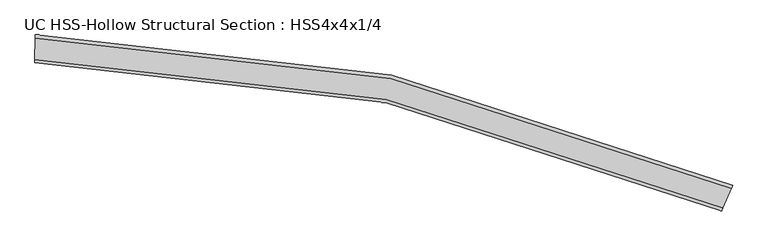
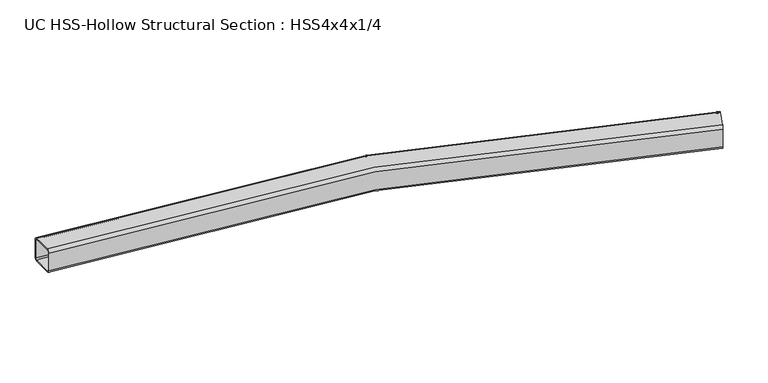
"""IFC4 building model written with IfcOpenShell, lengths in millimetres: beam geometry, UC HSS-Hollow Structural Section : HSS4x4x1/4."""

from ifc_helpers import new_model, si_unit, point, frame, origin, place, context, project, spatial, polyline, circle_curve, ellipse_curve, trimmed, source, transform, mapped, element, save
from ifc_brep_helpers import plane_surface, cylinder_surface, revolved_surface, advanced_brep


def uc_hss_hollow_structural_section_hss4x4x1_4_741ae181(model_context):
    return source(origin(), model_context, "Body", "AdvancedBrep", [
        advanced_brep(
        [(2635.9752121, -499.7964214, 38.9636), (2631.2372108, -510.6431586, 50.8), (2600.0436738, -582.0547246, 50.8), (2595.3056725, -592.9014618, 38.9636), (2595.3056725, -592.9014618, -38.9636), (2600.0436738, -582.0547246, -50.8), (2631.2372108, -510.6431586, -50.8), (2635.9752121, -499.7964214, -38.9636), (2600.0436738, -582.0547246, 44.8818), (2631.2372108, -510.6431586, 44.8818), (2633.6062114, -505.21979, 38.9636), (2633.6062114, -505.21979, -38.9636), (2631.2372108, -510.6431586, -44.8818), (2600.0436738, -582.0547246, -44.8818), (2597.6746731, -587.4780932, -38.9636), (2597.6746731, -587.4780932, 38.9636), (91.019854, 50.1709325, 38.9636), (91.019854, 50.1709325, -38.9636), (90.8562515, 38.3356632, -50.8), (89.779143, -39.5840925, -50.8), (89.6155405, -51.4193618, -38.9636), (89.6155405, -51.4193618, 38.9636), (89.779143, -39.5840925, 50.8), (90.8562515, 38.3356632, 50.8), (89.779143, -39.5840925, 44.8818), (89.6973417, -45.5017272, 38.9636), (89.6973417, -45.5017272, -38.9636), (89.779143, -39.5840925, -44.8818), (90.8562515, 38.3356632, -44.8818), (90.9380527, 44.2532979, -38.9636), (90.9380527, 44.2532979, 38.9636), (90.8562515, 38.3356632, 44.8818)],
        [
            (0, 1, circle_curve(frame((2631.2372108, -510.6431586, 38.9636), z_axis=(0.9163881926516371, -0.4002907447951626, 0.0), x_axis=(-0.4002907447951626, -0.9163881926516371, 0.0)), 11.8364)),
            (1, 2),
            (2, 3, circle_curve(frame((2600.0436738, -582.0547246, 38.9636), z_axis=(0.9163881926516371, -0.4002907447951626, 0.0), x_axis=(-0.4002907447951626, -0.9163881926516371, 0.0)), 11.8364)),
            (3, 4),
            (4, 5, circle_curve(frame((2600.0436738, -582.0547246, -38.9636), z_axis=(0.9163881926516371, -0.4002907447951626, 0.0), x_axis=(-0.4002907447951626, -0.9163881926516371, 0.0)), 11.8364)),
            (5, 6),
            (6, 7, circle_curve(frame((2631.2372108, -510.6431586, -38.9636), z_axis=(0.9163881926516371, -0.4002907447951626, 0.0), x_axis=(-0.4002907447951626, -0.9163881926516371, 0.0)), 11.8364)),
            (7, 0),
            (8, 9),
            (9, 10, circle_curve(frame((2631.2372108, -510.6431586, 38.9636), z_axis=(-0.9163881926516371, 0.4002907447951626, 0.0), x_axis=(-0.4002907447951626, -0.9163881926516371, 0.0)), 5.9182)),
            (10, 11),
            (11, 12, circle_curve(frame((2631.2372108, -510.6431586, -38.9636), z_axis=(-0.9163881926516371, 0.4002907447951626, 0.0), x_axis=(-0.4002907447951626, -0.9163881926516371, 0.0)), 5.9182)),
            (12, 13),
            (13, 14, circle_curve(frame((2600.0436738, -582.0547246, -38.9636), z_axis=(-0.9163881926516371, 0.4002907447951626, 0.0), x_axis=(-0.4002907447951626, -0.9163881926516371, 0.0)), 5.9182)),
            (14, 15),
            (15, 8, circle_curve(frame((2600.0436738, -582.0547246, 38.9636), z_axis=(-0.9163881926516371, 0.4002907447951626, 0.0), x_axis=(-0.4002907447951626, -0.9163881926516371, 0.0)), 5.9182)),
            (16, 17),
            (17, 18, circle_curve(frame((90.8562515, 38.3356632, -38.9636), z_axis=(-0.999904471827174, 0.013821983215888945, 0.0), x_axis=(-0.013821983215888945, -0.999904471827174, 0.0)), 11.8364)),
            (18, 19),
            (19, 20, circle_curve(frame((89.779143, -39.5840925, -38.9636), z_axis=(-0.999904471827174, 0.013821983215888945, 0.0), x_axis=(-0.013821983215888945, -0.999904471827174, 0.0)), 11.8364)),
            (20, 21),
            (21, 22, circle_curve(frame((89.779143, -39.5840925, 38.9636), z_axis=(-0.999904471827174, 0.013821983215888945, 0.0), x_axis=(-0.013821983215888945, -0.999904471827174, 0.0)), 11.8364)),
            (22, 23),
            (23, 16, circle_curve(frame((90.8562515, 38.3356632, 38.9636), z_axis=(-0.999904471827174, 0.013821983215888945, 0.0), x_axis=(-0.013821983215888945, -0.999904471827174, 0.0)), 11.8364)),
            (24, 25, circle_curve(frame((89.779143, -39.5840925, 38.9636), z_axis=(0.999904471827174, -0.013821983215888945, 0.0), x_axis=(-0.013821983215888945, -0.999904471827174, 0.0)), 5.9182)),
            (25, 26),
            (26, 27, circle_curve(frame((89.779143, -39.5840925, -38.9636), z_axis=(0.999904471827174, -0.013821983215888945, 0.0), x_axis=(-0.013821983215888945, -0.999904471827174, 0.0)), 5.9182)),
            (27, 28),
            (28, 29, circle_curve(frame((90.8562515, 38.3356632, -38.9636), z_axis=(0.999904471827174, -0.013821983215888945, 0.0), x_axis=(-0.013821983215888945, -0.999904471827174, 0.0)), 5.9182)),
            (29, 30),
            (30, 31, circle_curve(frame((90.8562515, 38.3356632, 38.9636), z_axis=(0.999904471827174, -0.013821983215888945, 0.0), x_axis=(-0.013821983215888945, -0.999904471827174, 0.0)), 5.9182)),
            (31, 24),
            (0, 16, circle_curve(frame((0.0, -6534.351534, 38.9636), z_axis=(0.0, 0.0, 1.0), x_axis=(-0.9998764232314815, -0.01572063185178361, 0.0)), 6585.151534)),
            (23, 1, circle_curve(frame((0.0, -6534.351534, 50.8), z_axis=(0.0, 0.0, -1.0), x_axis=(-0.9998764232314815, -0.01572063185178361, 0.0)), 6573.315134)),
            (22, 2, circle_curve(frame((0.0, -6534.351534, 50.8), z_axis=(0.0, 0.0, -1.0), x_axis=(-0.9998764232314815, -0.01572063185178361, 0.0)), 6495.387934)),
            (21, 3, circle_curve(frame((0.0, -6534.351534, 38.9636), z_axis=(0.0, 0.0, -1.0), x_axis=(-0.9998764232314815, -0.01572063185178361, 0.0)), 6483.551534)),
            (20, 4, circle_curve(frame((0.0, -6534.351534, -38.9636), z_axis=(0.0, 0.0, -1.0), x_axis=(-0.9998764232314815, -0.01572063185178361, 0.0)), 6483.551534)),
            (19, 5, circle_curve(frame((0.0, -6534.351534, -50.8), z_axis=(0.0, 0.0, -1.0), x_axis=(-0.9998764232314815, -0.01572063185178361, 0.0)), 6495.387934)),
            (18, 6, circle_curve(frame((0.0, -6534.351534, -50.8), z_axis=(0.0, 0.0, -1.0), x_axis=(-0.9998764232314815, -0.01572063185178361, 0.0)), 6573.315134)),
            (17, 7, circle_curve(frame((0.0, -6534.351534, -38.9636), z_axis=(0.0, 0.0, -1.0), x_axis=(-0.9998764232314815, -0.01572063185178361, 0.0)), 6585.151534)),
            (8, 24, circle_curve(frame((0.0, -6534.351534, 44.8818), z_axis=(0.0, 0.0, 1.0), x_axis=(-0.9998764232314815, -0.01572063185178361, 0.0)), 6495.387934)),
            (31, 9, circle_curve(frame((0.0, -6534.351534, 44.8818), z_axis=(0.0, 0.0, -1.0), x_axis=(-0.9998764232314815, -0.01572063185178361, 0.0)), 6573.315134)),
            (30, 10, circle_curve(frame((0.0, -6534.351534, 38.9636), z_axis=(0.0, 0.0, -1.0), x_axis=(-0.9998764232314815, -0.01572063185178361, 0.0)), 6579.233334)),
            (29, 11, circle_curve(frame((0.0, -6534.351534, -38.9636), z_axis=(0.0, 0.0, -1.0), x_axis=(-0.9998764232314815, -0.01572063185178361, 0.0)), 6579.233334)),
            (28, 12, circle_curve(frame((0.0, -6534.351534, -44.8818), z_axis=(0.0, 0.0, -1.0), x_axis=(-0.9998764232314815, -0.01572063185178361, 0.0)), 6573.315134)),
            (27, 13, circle_curve(frame((0.0, -6534.351534, -44.8818), z_axis=(0.0, 0.0, -1.0), x_axis=(-0.9998764232314815, -0.01572063185178361, 0.0)), 6495.387934)),
            (26, 14, circle_curve(frame((0.0, -6534.351534, -38.9636), z_axis=(0.0, 0.0, -1.0), x_axis=(-0.9998764232314815, -0.01572063185178361, 0.0)), 6489.469734)),
            (25, 15, circle_curve(frame((0.0, -6534.351534, 38.9636), z_axis=(0.0, 0.0, -1.0), x_axis=(-0.9998764232314815, -0.01572063185178361, 0.0)), 6489.469734)),
        ],
        [
            plane_surface(frame((2615.6404423, -546.3489416, 0.0), z_axis=(0.9163881926516344, -0.400290744795169, 0.0), x_axis=(0.0, 0.0, 1.0))),
            plane_surface(frame((90.3176972, -0.6242147, 0.0), z_axis=(-0.9999044718271739, 0.013821983215895901, 0.0), x_axis=(0.0, 0.0, 1.0))),
            revolved_surface(trimmed(ellipse_curve(frame((-6572.5028249, -6637.6882012, 38.9636), z_axis=(0.015720631851790567, -0.9998764232314814, 0.0), x_axis=(0.9998764232314814, 0.015720631851790567, 0.0)), 11.8364, 11.8364), [point((-6572.5028249, -6637.6882012, 50.8))], [point((-6584.3377622, -6637.8742769, 38.9636))], True, "CARTESIAN"), (0.0, -6534.351534, 0.0), (0.0, 0.0, -1.0)),
            plane_surface(frame((0.0, -6534.351534, 50.8), z_axis=(0.0, 0.0, 1.0), x_axis=(-0.9998764232314815, -0.01572063185178361, 0.0))),
            revolved_surface(trimmed(ellipse_curve(frame((-6494.5852549, -6636.4631364, 38.9636), z_axis=(0.015720631851790567, -0.9998764232314814, 0.0), x_axis=(0.9998764232314814, 0.015720631851790567, 0.0)), 11.8364, 11.8364), [point((-6482.7503176, -6636.2770607, 38.9636))], [point((-6494.5852549, -6636.4631364, 50.8))], True, "CARTESIAN"), (0.0, -6534.351534, 0.0), (0.0, 0.0, -1.0)),
            revolved_surface(polyline([(-6482.750317652905, -6636.2770607580815, -38.9636), (-6482.750317652905, -6636.2770607580815, 38.9636)]), (0.0, -6534.351534, 0.0), (0.0, 0.0, -1.0)),
            revolved_surface(trimmed(ellipse_curve(frame((-6494.5852549, -6636.4631364, -38.9636), z_axis=(0.015720631851790567, -0.9998764232314814, 0.0), x_axis=(0.9998764232314814, 0.015720631851790567, 0.0)), 11.8364, 11.8364), [point((-6494.5852549, -6636.4631364, -50.8))], [point((-6482.7503176, -6636.2770607, -38.9636))], True, "CARTESIAN"), (0.0, -6534.351534, 0.0), (0.0, 0.0, -1.0)),
            plane_surface(frame((0.0, -6534.351534, -50.8), z_axis=(0.0, 0.0, -1.0), x_axis=(-0.9998764232314815, -0.01572063185178361, 0.0))),
            revolved_surface(trimmed(ellipse_curve(frame((-6572.5028249, -6637.6882012, -38.9636), z_axis=(0.015720631851790567, -0.9998764232314814, 0.0), x_axis=(0.9998764232314814, 0.015720631851790567, 0.0)), 11.8364, 11.8364), [point((-6584.3377622, -6637.8742769, -38.9636))], [point((-6572.5028249, -6637.6882012, -50.8))], True, "CARTESIAN"), (0.0, -6534.351534, 0.0), (0.0, 0.0, -1.0)),
            cylinder_surface(frame((0.0, -6534.351534, 0.0), z_axis=(0.0, 0.0, -1.0), x_axis=(-0.9998764232314815, -0.01572063185178361, 0.0)), 6585.151534),
            plane_surface(frame((0.0, -6534.351534, 44.8818), z_axis=(0.0, 0.0, -1.0), x_axis=(-0.9998764232314815, -0.01572063185178361, 0.0))),
            revolved_surface(trimmed(ellipse_curve(frame((-6572.5028249, -6637.6882012, 38.9636), z_axis=(-0.015720631851790567, 0.9998764232314814, 0.0), x_axis=(0.9998764232314814, 0.015720631851790567, 0.0)), 5.9182, 5.9182), [point((-6578.4202936, -6637.7812391, 38.9636))], [point((-6572.5028249, -6637.6882012, 44.8818))], True, "CARTESIAN"), (0.0, -6534.351534, 0.0), (0.0, 0.0, -1.0)),
            revolved_surface(polyline([(-6578.420293605254, -6637.781239110797, -38.9636), (-6578.420293605254, -6637.781239110797, 38.9636)]), (0.0, -6534.351534, 0.0), (0.0, 0.0, -1.0)),
            revolved_surface(trimmed(ellipse_curve(frame((-6572.5028249, -6637.6882012, -38.9636), z_axis=(-0.015720631851790567, 0.9998764232314814, 0.0), x_axis=(0.9998764232314814, 0.015720631851790567, 0.0)), 5.9182, 5.9182), [point((-6572.5028249, -6637.6882012, -44.8818))], [point((-6578.4202936, -6637.7812391, -38.9636))], True, "CARTESIAN"), (0.0, -6534.351534, 0.0), (0.0, 0.0, -1.0)),
            plane_surface(frame((0.0, -6534.351534, -44.8818), z_axis=(0.0, 0.0, 1.0), x_axis=(-0.9998764232314815, -0.01572063185178361, 0.0))),
            revolved_surface(trimmed(ellipse_curve(frame((-6494.5852549, -6636.4631364, -38.9636), z_axis=(-0.015720631851790567, 0.9998764232314814, 0.0), x_axis=(0.9998764232314814, 0.015720631851790567, 0.0)), 5.9182, 5.9182), [point((-6488.6677863, -6636.3700986, -38.9636))], [point((-6494.5852549, -6636.4631364, -44.8818))], True, "CARTESIAN"), (0.0, -6534.351534, 0.0), (0.0, 0.0, -1.0)),
            cylinder_surface(frame((0.0, -6534.351534, 0.0), z_axis=(0.0, 0.0, -1.0), x_axis=(-0.9998764232314815, -0.01572063185178361, 0.0)), 6489.469734),
            revolved_surface(trimmed(ellipse_curve(frame((-6494.5852549, -6636.4631364, 38.9636), z_axis=(-0.015720631851790567, 0.9998764232314814, 0.0), x_axis=(0.9998764232314814, 0.015720631851790567, 0.0)), 5.9182, 5.9182), [point((-6494.5852549, -6636.4631364, 44.8818))], [point((-6488.6677863, -6636.3700986, 38.9636))], True, "CARTESIAN"), (0.0, -6534.351534, 0.0), (0.0, 0.0, -1.0)),
        ],
        [
            (0, [[1, 2, 3, 4, 5, 6, 7, 8], [9, 10, 11, 12, 13, 14, 15, 16]]),
            (1, [[17, 18, 19, 20, 21, 22, 23, 24], [25, 26, 27, 28, 29, 30, 31, 32]]),
            (2, [[-1, 33, -24, 34]]),
            (3, [[-2, -34, -23, 35]]),
            (4, [[-3, -35, -22, 36]]),
            (5, [[-4, -36, -21, 37]]),
            (6, [[-5, -37, -20, 38]]),
            (7, [[-6, -38, -19, 39]]),
            (8, [[-7, -39, -18, 40]]),
            (9, [[-8, -40, -17, -33]]),
            (10, [[-9, 41, -32, 42]]),
            (11, [[-10, -42, -31, 43]]),
            (12, [[-11, -43, -30, 44]]),
            (13, [[-12, -44, -29, 45]]),
            (14, [[-13, -45, -28, 46]]),
            (15, [[-14, -46, -27, 47]]),
            (16, [[-15, -47, -26, 48]]),
            (17, [[-16, -48, -25, -41]]),
        ],
    ),
    ])


if __name__ == "__main__":
    model = new_model("IFC4")
    model_context = context("Model", 3, world=origin())
    ifc_project = project(units=[si_unit("LENGTHUNIT", "METRE", prefix="MILLI")], contexts=[model_context])
    site = spatial("IfcSite", under=ifc_project)
    building = spatial("IfcBuilding", under=site)
    placement = place(None, origin())
    uc_hss_hollow_structural_section_hss4x4x1_4_shape = uc_hss_hollow_structural_section_hss4x4x1_4_741ae181(model_context)
    element("IfcBeam", 1, ObjectType="UC HSS-Hollow Structural Section : HSS4x4x1/4", at=placement, inside=building, context=model_context, shape_type="MappedRepresentation", body=[
        mapped(uc_hss_hollow_structural_section_hss4x4x1_4_shape, transform((0.0, 0.0, 0.0), x_axis=(1.0, 0.0, 0.0), y_axis=(0.0, 1.0, 0.0), z_axis=(0.0, 0.0, 1.0))),
    ])
    save(model, "model.ifc")
